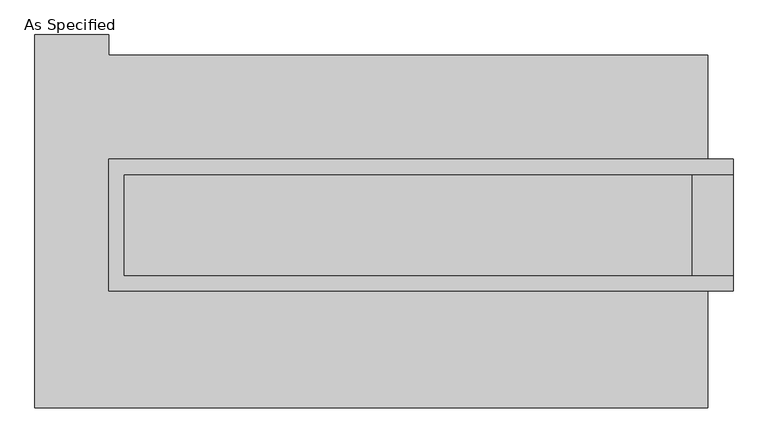
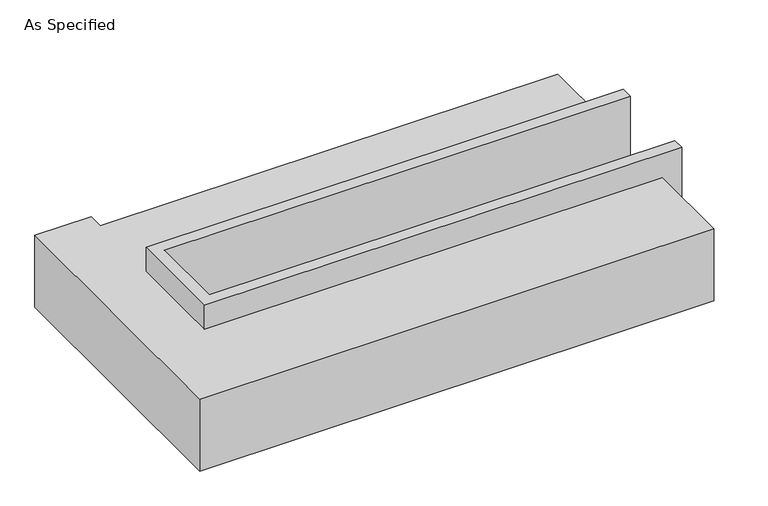
"""IFC4 building model written with IfcOpenShell, lengths in millimetres: proxy geometry, As Specified."""

from ifc_helpers import new_model, si_unit, origin, place, context, project, spatial, faceted_brep, source, transform, mapped, element, save


def as_specified_cea17dcd(model_context):
    return source(origin(), model_context, "Body", "Brep", [
        faceted_brep([(-1416.05, 361.95, 139.7), (-1416.05, 361.95, -393.7), (-1416.05, 285.75, -393.7), (-1416.05, 285.75, -25.4), (-1416.05, -222.25, -25.4), (-1416.05, -222.25, -393.7), (-1416.05, -298.45, -393.7), (-1416.05, -298.45, 139.7), (1708.15, 285.75, 139.7), (1708.15, 285.75, -317.5), (1708.15, -222.25, -317.5), (1708.15, -222.25, 139.7), (1708.15, -298.45, 139.7), (1708.15, -298.45, -393.7), (1708.15, 361.95, -393.7), (1708.15, 361.95, 139.7), (-1339.85, -222.25, 139.7), (-1339.85, 285.75, 139.7), (1504.95, -222.25, -393.7), (1504.95, 285.75, -393.7), (1504.95, -222.25, -317.5), (-1339.85, -222.25, -25.4), (1504.95, 285.75, -317.5), (-1339.85, 285.75, -25.4)], [[[0, 1, 2, 3, 4, 5, 6, 7]], [[8, 9, 10, 11, 12, 13, 14, 15]], [[0, 7, 12, 11, 16, 17, 8, 15]], [[1, 0, 15, 14]], [[14, 13, 6, 5, 18, 19, 2, 1]], [[7, 6, 13, 12]], [[11, 10, 20, 18, 5, 4, 21, 16]], [[10, 9, 22, 20]], [[9, 8, 17, 23, 3, 2, 19, 22]], [[18, 20, 22, 19]], [[23, 21, 4, 3]], [[17, 16, 21, 23]]]),
        faceted_brep([(1581.15, -882.65, -523.9742188), (-1784.35, -882.65, -523.9742188), (-1784.35, 984.25, -523.9742188), (-1416.05, 984.25, -523.9742188), (-1416.05, 882.65, -523.9742188), (1581.15, 882.65, -523.9742188), (-1784.35, -882.65, -25.4), (1581.15, -882.65, -25.4), (1581.15, -298.45, -25.4), (-1416.05, -298.45, -25.4), (-1416.05, 361.95, -25.4), (1581.15, 361.95, -25.4), (1581.15, 882.65, -25.4), (-1416.05, 882.65, -25.4), (-1416.05, 984.25, -25.4), (-1784.35, 984.25, -25.4), (1581.15, 361.95, -393.7), (1581.15, -298.45, -393.7), (-1416.05, -298.45, -393.7), (-1416.05, 361.95, -393.7)], [[[0, 1, 2, 3, 4, 5]], [[6, 7, 8, 9, 10, 11, 12, 13, 14, 15]], [[12, 5, 4, 13]], [[2, 1, 6, 15]], [[5, 12, 11, 16, 17, 8, 7, 0]], [[1, 0, 7, 6]], [[18, 19, 10, 9]], [[10, 19, 16, 11]], [[19, 18, 17, 16]], [[18, 9, 8, 17]], [[3, 2, 15, 14]], [[4, 3, 14, 13]]]),
    ])


if __name__ == "__main__":
    model = new_model("IFC4")
    model_context = context("Model", 3, world=origin())
    ifc_project = project(units=[si_unit("LENGTHUNIT", "METRE", prefix="MILLI")], contexts=[model_context])
    site = spatial("IfcSite", under=ifc_project)
    building = spatial("IfcBuilding", under=site)
    placement = place(None, origin())
    as_specified_shape = as_specified_cea17dcd(model_context)
    element("IfcBuildingElementProxy", 1, Name="As Specified", ObjectType="As Specified", at=placement, inside=building, context=model_context, shape_type="MappedRepresentation", body=[
        mapped(as_specified_shape, transform((0.0, 0.0, 0.0), x_axis=(1.0, 0.0, 0.0), y_axis=(0.0, 1.0, 0.0), z_axis=(0.0, 0.0, 1.0))),
    ])
    save(model, "model.ifc")
